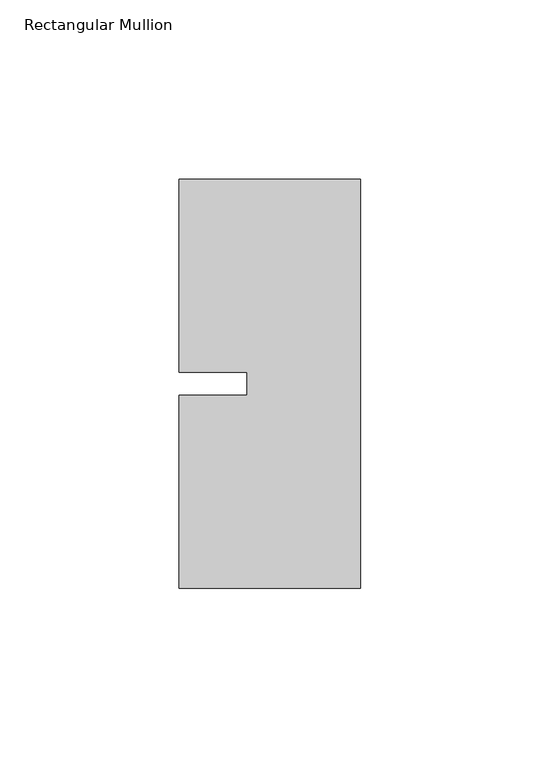
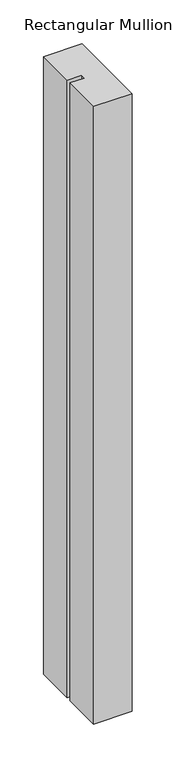
"""IFC4 building model written with IfcOpenShell, lengths in millimetres: member geometry, Rectangular Mullion."""

import ifcopenshell
import ifcopenshell.guid

model = None  # the IFC model being written
_history = None  # IfcOwnerHistory: only IFC2X3 demands one
_inside = {}  # id of a spatial element -> (the spatial element, [elements in it])
_under = {}  # id of a project, library or spatial element -> (it, [spatial elements below it])
_declared = {}  # id of a project -> (the project, [libraries it declares])
_typed = {}  # id of a type object -> (the type object, [elements of that type])
_made_of = {}  # id of a material, layer set ... -> (it, [elements and type objects made of it])


def new_model(schema):
    """Start an empty IFC model of exactly this schema.

    Asked for "IFC4X3", IfcOpenShell would pick the latest addendum, in which some entities
    have other attributes; the version numbers below select the first issue.
    IFC2X3 requires an IfcOwnerHistory on every rooted entity: one is made here for all.
    """
    global model, _history
    if schema == "IFC4X3":
        model = ifcopenshell.file(schema_version=(4, 3, 0, 0))
    else:
        model = ifcopenshell.file(schema=schema)
    _inside.clear()
    _under.clear()
    _declared.clear()
    _typed.clear()
    _made_of.clear()
    _history = None
    if model.schema == "IFC2X3":
        org = make("IfcOrganization", Name="unknown")
        user = make(
            "IfcPersonAndOrganization",
            ThePerson=make("IfcPerson", FamilyName="unknown"),
            TheOrganization=org,
        )
        app = make(
            "IfcApplication",
            ApplicationDeveloper=org,
            Version="unknown",
            ApplicationFullName="unknown",
            ApplicationIdentifier="unknown",
        )
        _history = make(
            "IfcOwnerHistory",
            OwningUser=user,
            OwningApplication=app,
            ChangeAction="ADDED",
            CreationDate=0,
        )
    return model


def make(cls, **values):
    """One entity of the class cls with the attributes given. An attribute that is None is left unset."""
    return model.create_entity(
        cls, **{name: value for name, value in values.items() if value is not None}
    )


def rooted(cls, **values):
    """An entity with a GlobalId (a new one), such as an element, a storey or a relation."""
    return make(cls, GlobalId=ifcopenshell.guid.new(), OwnerHistory=_history, **values)


def si_unit(unit_type, name, prefix=None):
    """IfcSIUnit, for example si_unit("LENGTHUNIT", "METRE", prefix="MILLI")."""
    return make("IfcSIUnit", UnitType=unit_type, Prefix=prefix, Name=name)


def assignment(units):
    """IfcUnitAssignment: the units of a project."""
    return None if units is None else make("IfcUnitAssignment", Units=units)


def point(xyz):
    """IfcCartesianPoint."""
    return None if xyz is None else make("IfcCartesianPoint", Coordinates=xyz)


def direction(xyz):
    """IfcDirection."""
    return None if xyz is None else make("IfcDirection", DirectionRatios=xyz)


def frame(location, z_axis=None, x_axis=None):
    """IfcAxis2Placement3D, a coordinate frame: its origin and axes. An axis left out is left unset."""
    return make(
        "IfcAxis2Placement3D",
        Location=point(location),
        Axis=direction(z_axis),
        RefDirection=direction(x_axis),
    )


def origin():
    """The frame at (0, 0, 0) with its axes left unset."""
    return frame((0.0, 0.0, 0.0))


def place(relative_to, where):
    """IfcLocalPlacement: puts the frame where relative to a parent placement (None: the world)."""
    return make(
        "IfcLocalPlacement", PlacementRelTo=relative_to, RelativePlacement=where
    )


def context(
    kind, dimensions, precision=None, world=None, true_north=None, identifier=None
):
    """IfcGeometricRepresentationContext, for example the 3D "Model" context."""
    return make(
        "IfcGeometricRepresentationContext",
        ContextIdentifier=identifier,
        ContextType=kind,
        CoordinateSpaceDimension=dimensions,
        Precision=precision,
        WorldCoordinateSystem=world,
        TrueNorth=true_north,
    )


def project(units=None, contexts=None):
    """IfcProject with its units and contexts."""
    return rooted(
        "IfcProject",
        Name="project",
        RepresentationContexts=contexts,
        UnitsInContext=assignment(units),
    )


def spatial(cls, under=None, at=None, **own):
    """A site, building, storey or space (cls), placed at a placement, below another one or the project."""
    s = rooted(cls, ObjectPlacement=at, **own)
    if under is not None:
        _under.setdefault(under.id(), (under, []))[1].append(s)
    return s


def polyline(points):
    """IfcPolyline through the points."""
    return make("IfcPolyline", Points=[point(p) for p in points])


def outline(outer, holes=None, kind="AREA"):
    """IfcArbitraryClosedProfileDef: a profile drawn as a closed curve; with holes, ...WithVoids."""
    if holes is None:
        return make("IfcArbitraryClosedProfileDef", ProfileType=kind, OuterCurve=outer)
    return make(
        "IfcArbitraryProfileDefWithVoids",
        ProfileType=kind,
        OuterCurve=outer,
        InnerCurves=holes,
    )


def extrude(swept, where, along, depth):
    """IfcExtrudedAreaSolid: the profile swept, set in the frame where, extruded along a direction by depth."""
    return make(
        "IfcExtrudedAreaSolid",
        SweptArea=swept,
        Position=where,
        ExtrudedDirection=direction(along),
        Depth=depth,
    )


def shape(context_of_items, identifier, shape_type, items):
    """IfcShapeRepresentation: the items that make up one representation, for example the "Body"."""
    return make(
        "IfcShapeRepresentation",
        ContextOfItems=context_of_items,
        RepresentationIdentifier=identifier,
        RepresentationType=shape_type,
        Items=items,
    )


def source(mapping_origin, context_of_items, identifier, shape_type, items):
    """IfcRepresentationMap: a shape defined once, which mapped items show again and again."""
    return make(
        "IfcRepresentationMap",
        MappingOrigin=mapping_origin,
        MappedRepresentation=shape(context_of_items, identifier, shape_type, items),
    )


def transform(
    local_origin,
    x_axis=None,
    y_axis=None,
    z_axis=None,
    scale=None,
    scale2=None,
    scale3=None,
    uniform=True,
):
    """IfcCartesianTransformationOperator3D, or its non-uniform kind. x_axis, y_axis, z_axis: its Axis1, 2, 3."""
    if uniform:
        return make(
            "IfcCartesianTransformationOperator3D",
            Axis1=direction(x_axis),
            Axis2=direction(y_axis),
            LocalOrigin=point(local_origin),
            Scale=scale,
            Axis3=direction(z_axis),
        )
    return make(
        "IfcCartesianTransformationOperator3DnonUniform",
        Axis1=direction(x_axis),
        Axis2=direction(y_axis),
        LocalOrigin=point(local_origin),
        Scale=scale,
        Axis3=direction(z_axis),
        Scale2=scale2,
        Scale3=scale3,
    )


def mapped(mapping_source, mapping_target):
    """IfcMappedItem: shows the shape of a source again, moved by a transform."""
    return make(
        "IfcMappedItem", MappingSource=mapping_source, MappingTarget=mapping_target
    )


def made_of(thing, what):
    """Note that an element or type object is made of a material, layer set ...; save() writes the relation."""
    if what is not None:
        _made_of.setdefault(what.id(), (what, []))[1].append(thing)
    return thing


def element(
    cls,
    number,
    at=None,
    inside=None,
    cuts=None,
    type_object=None,
    material=None,
    context=None,
    identifier="Body",
    shape_type=None,
    held_by="IfcProductDefinitionShape",
    body=None,
    shapes=None,
    **own,
):
    """One element of the class cls, such as IfcWall. Its Tag is "e" and its number.

    at: its placement. inside: the storey or other place that contains it. cuts: it is an
    opening in that element (IfcRelVoidsElement). A single representation is given by context,
    identifier, shape_type and body (its items); several are given by shapes. held_by: the class
    of the entity that holds the representations. save() writes the other relations.
    """
    e = rooted(cls, Tag="e%d" % number, ObjectPlacement=at, **own)
    if body is not None:
        shapes = [shape(context, identifier, shape_type, body)]
    if shapes is not None:
        e.Representation = make(held_by, Representations=shapes)
    if inside is not None:
        _inside.setdefault(inside.id(), (inside, []))[1].append(e)
    if cuts is not None:
        rooted(
            "IfcRelVoidsElement", RelatingBuildingElement=cuts, RelatedOpeningElement=e
        )
    if type_object is not None:
        _typed.setdefault(type_object.id(), (type_object, []))[1].append(e)
    return made_of(e, material)


def aggregate(whole, parts):
    """IfcRelAggregates: a whole, such as a stair, and the parts it consists of."""
    return rooted("IfcRelAggregates", RelatingObject=whole, RelatedObjects=parts)


def save(model, path):
    """Write the relations noted so far, then the file.

    IfcRelAggregates (storeys below a building ...), IfcRelContainedInSpatialStructure (elements
    in a storey), IfcRelDefinesByType, IfcRelAssociatesMaterial and IfcRelDeclares: one each for
    every whole, place, type object, material and project.
    """
    for whole, parts in _under.values():
        aggregate(whole, parts)
    for where, things in _inside.values():
        rooted(
            "IfcRelContainedInSpatialStructure",
            RelatedElements=things,
            RelatingStructure=where,
        )
    for kind, things in _typed.values():
        rooted("IfcRelDefinesByType", RelatedObjects=things, RelatingType=kind)
    for what, things in _made_of.values():
        rooted("IfcRelAssociatesMaterial", RelatedObjects=things, RelatingMaterial=what)
    for by, libraries in _declared.values():
        rooted("IfcRelDeclares", RelatingContext=by, RelatedDefinitions=libraries)
    model.write(path)


def rectangular_mullion_cdf5b697(model_context):
    return source(origin(), model_context, "Body", "SweptSolid", [
        extrude(outline(polyline([(-50.8, 57.15), (0.0, 57.15), (0.0, -57.15), (-50.8, -57.15), (-50.8, -3.175), (-31.75, -3.175), (-31.75, 3.175), (-50.8, 3.175), (-50.8, 57.15)])), frame((0.0, 0.0, -860.425), z_axis=(0.0, 0.0, 1.0), x_axis=(1.0, 0.0, 0.0)), (0.0, 0.0, 1.0), 860.425),
    ])


if __name__ == "__main__":
    model = new_model("IFC4")
    model_context = context("Model", 3, world=origin())
    ifc_project = project(units=[si_unit("LENGTHUNIT", "METRE", prefix="MILLI")], contexts=[model_context])
    site = spatial("IfcSite", under=ifc_project)
    building = spatial("IfcBuilding", under=site)
    placement = place(None, origin())
    rectangular_mullion_shape = rectangular_mullion_cdf5b697(model_context)
    element("IfcMember", 1, ObjectType="Rectangular Mullion", at=placement, inside=building, context=model_context, shape_type="MappedRepresentation", body=[
        mapped(rectangular_mullion_shape, transform((0.0, 0.0, 0.0), x_axis=(1.0, 0.0, 0.0), y_axis=(0.0, 1.0, 0.0), z_axis=(0.0, 0.0, 1.0))),
    ])
    save(model, "model.ifc")
